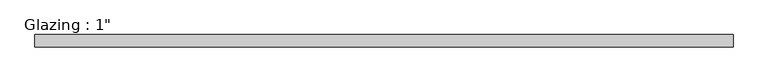
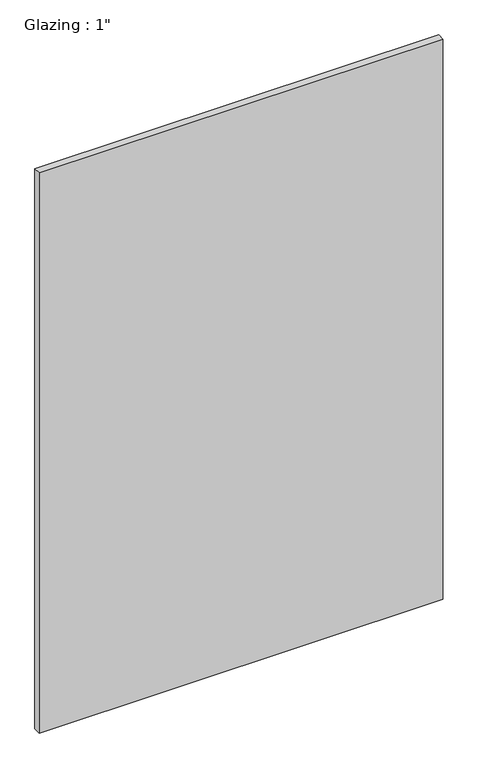
"""IFC4 building model written with IfcOpenShell, lengths in millimetres: plate geometry."""

from ifc_helpers import new_model, si_unit, origin, origin_with_axes, place, context, project, spatial, polyline, outline, extrude, source, transform, mapped, element, save


def plate_bbf43ff2(model_context):
    return source(origin(), model_context, "Body", "SweptSolid", [
        extrude(outline(polyline([(713.8330765, 12.7), (713.8330765, -12.7), (-713.8330765, -12.7), (-713.8330765, 12.7), (713.8330765, 12.7)])), origin_with_axes(), (0.0, 0.0, 1.0), 2094.5428768),
    ])


if __name__ == "__main__":
    model = new_model("IFC4")
    model_context = context("Model", 3, world=origin())
    ifc_project = project(units=[si_unit("LENGTHUNIT", "METRE", prefix="MILLI")], contexts=[model_context])
    site = spatial("IfcSite", under=ifc_project)
    building = spatial("IfcBuilding", under=site)
    placement = place(None, origin())
    plate_shape = plate_bbf43ff2(model_context)
    element("IfcPlate", 1, ObjectType="Glazing : 1\"", at=placement, inside=building, context=model_context, shape_type="MappedRepresentation", body=[
        mapped(plate_shape, transform((0.0, 0.0, 0.0), x_axis=(1.0, 0.0, 0.0), y_axis=(0.0, 1.0, 0.0), z_axis=(0.0, 0.0, 1.0))),
    ])
    save(model, "model.ifc")
